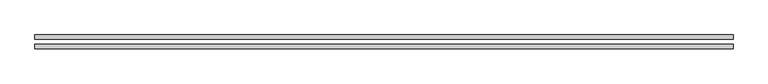
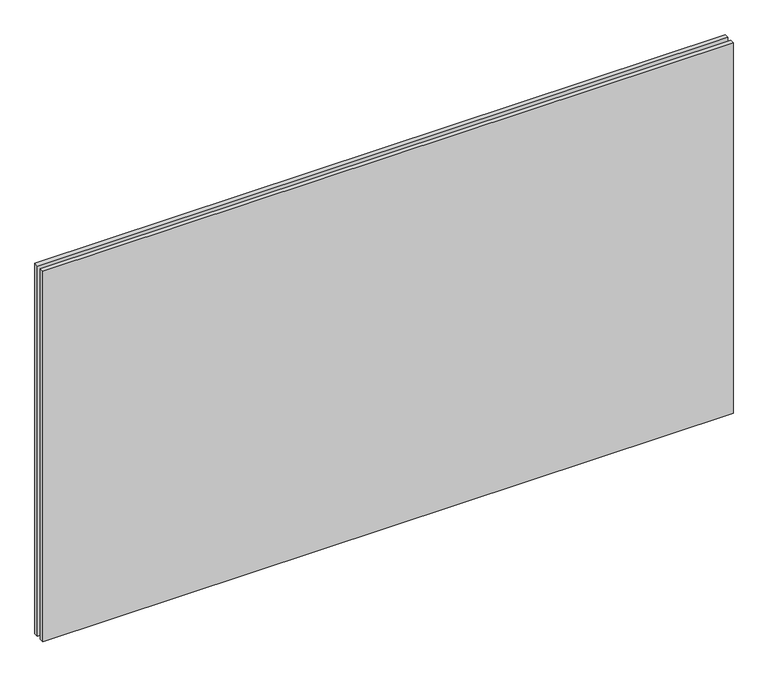
"""IFC4 building model written with IfcOpenShell, lengths in millimetres: plate geometry."""

from ifc_helpers import new_model, si_unit, origin, origin_with_axes, place, context, project, spatial, polyline, outline, extrude, source, transform, mapped, element, save


def plate_ad857de5(model_context):
    return source(origin(), model_context, "Body", "SweptSolid", [
        extrude(outline(polyline([(623.75, -4.5), (623.75, -12.5), (-623.75, -12.5), (-623.75, -4.5), (623.75, -4.5)])), origin_with_axes(), (0.0, 0.0, 1.0), 707.5),
        extrude(outline(polyline([(623.75, 4.5), (-623.75, 4.5), (-623.75, 12.5), (623.75, 12.5), (623.75, 4.5)])), origin_with_axes(), (0.0, 0.0, 1.0), 707.5),
    ])


if __name__ == "__main__":
    model = new_model("IFC4")
    model_context = context("Model", 3, world=origin())
    ifc_project = project(units=[si_unit("LENGTHUNIT", "METRE", prefix="MILLI")], contexts=[model_context])
    site = spatial("IfcSite", under=ifc_project)
    building = spatial("IfcBuilding", under=site)
    placement = place(None, origin())
    plate_shape = plate_ad857de5(model_context)
    element("IfcPlate", 1, at=placement, inside=building, context=model_context, shape_type="MappedRepresentation", body=[
        mapped(plate_shape, transform((0.0, 0.0, 0.0), x_axis=(1.0, 0.0, 0.0), y_axis=(0.0, 1.0, 0.0), z_axis=(0.0, 0.0, 1.0))),
    ])
    save(model, "model.ifc")
